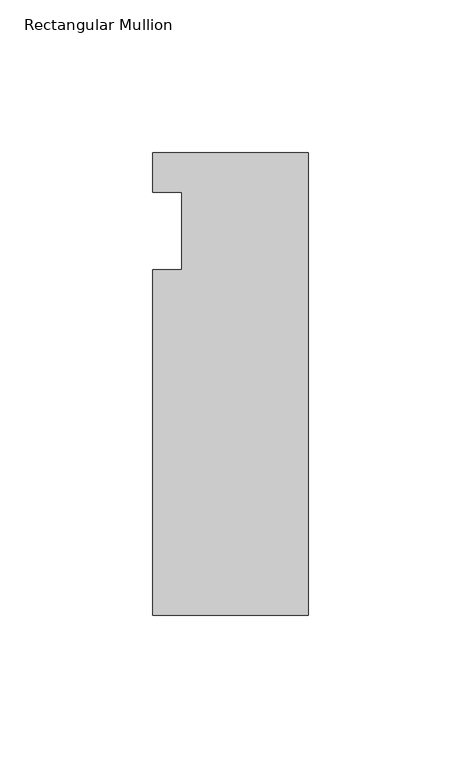
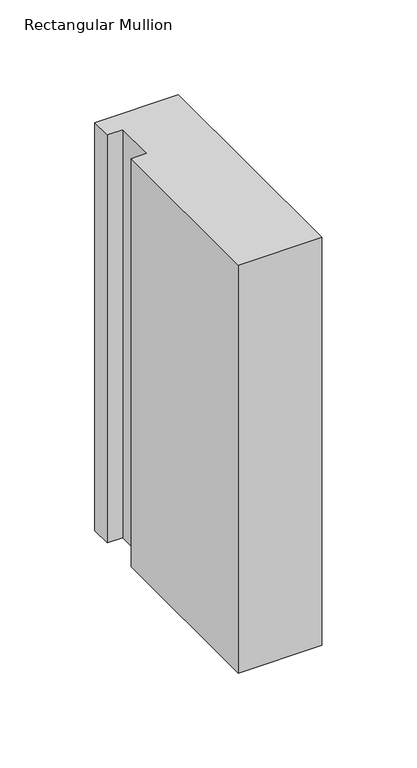
"""IFC4 building model written with IfcOpenShell, lengths in millimetres: member geometry, Rectangular Mullion."""

from ifc_helpers import new_model, si_unit, frame, origin, place, context, project, spatial, polyline, outline, extrude, source, transform, mapped, element, save


def rectangular_mullion_0afd107b(model_context):
    return source(origin(), model_context, "Body", "SweptSolid", [
        extrude(outline(polyline([(-50.8, 25.5984375), (0.0, 25.5984375), (0.0, -125.6109375), (-50.8, -125.6109375), (-50.8, -12.7), (-41.275, -12.7), (-41.275, 12.7), (-50.8, 12.7), (-50.8, 25.5984375)])), frame((0.0, 0.0, -262.4666667), z_axis=(0.0, 0.0, 1.0), x_axis=(1.0, 0.0, 0.0)), (0.0, 0.0, 1.0), 262.4666667),
    ])


if __name__ == "__main__":
    model = new_model("IFC4")
    model_context = context("Model", 3, world=origin())
    ifc_project = project(units=[si_unit("LENGTHUNIT", "METRE", prefix="MILLI")], contexts=[model_context])
    site = spatial("IfcSite", under=ifc_project)
    building = spatial("IfcBuilding", under=site)
    placement = place(None, origin())
    rectangular_mullion_shape = rectangular_mullion_0afd107b(model_context)
    element("IfcMember", 1, ObjectType="Rectangular Mullion", at=placement, inside=building, context=model_context, shape_type="MappedRepresentation", body=[
        mapped(rectangular_mullion_shape, transform((0.0, 0.0, 0.0), x_axis=(1.0, 0.0, 0.0), y_axis=(0.0, 1.0, 0.0), z_axis=(0.0, 0.0, 1.0))),
    ])
    save(model, "model.ifc")
